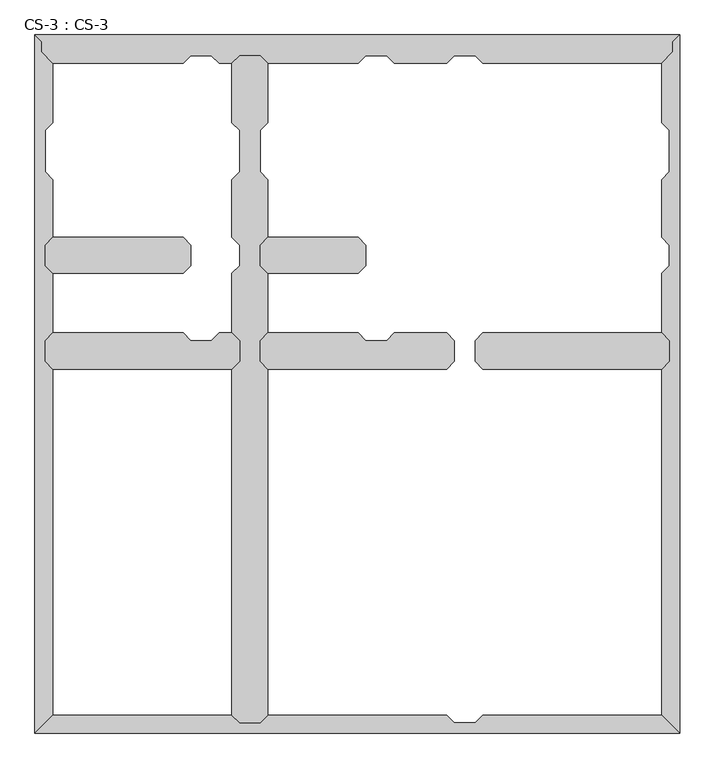
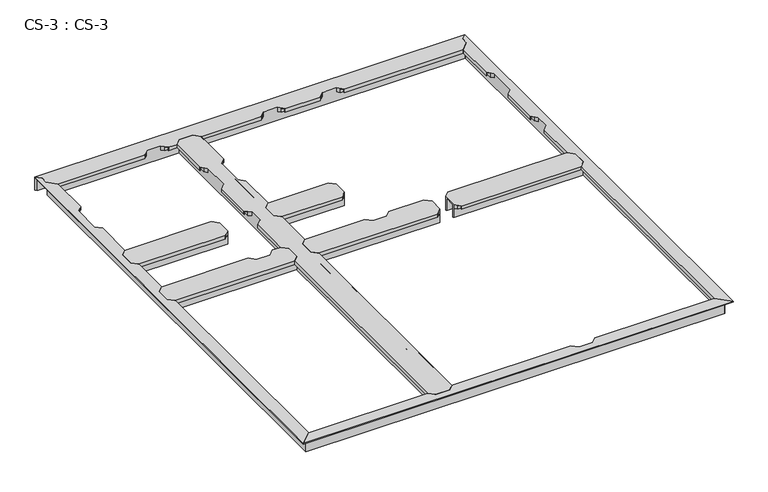
"""IFC4 building model written with IfcOpenShell, lengths in millimetres: proxy geometry, CS-3 : CS-3."""

from ifc_helpers import new_model, si_unit, origin, place, context, project, spatial, faceted_brep, source, transform, mapped, element, save


def cs_3_cs_3_e2cf86b7(model_context):
    return source(origin(), model_context, "Body", "Brep", [
        faceted_brep([(1056.0051016, 1490.98, 46.355), (1056.0051016, 1490.98, 0.0), (1056.0051016, 1497.965, 0.0), (1056.0051016, 1497.965, 63.5), (1056.0051016, 1550.035, 63.5), (1056.0051016, 1550.035, 0.0), (1056.0051016, 1557.02, 0.0), (1056.0051016, 1557.02, 46.355), (1056.0051016, 1557.02, 66.675), (1056.0051016, 1490.98, 66.675), (718.8201016, 1557.02, 46.355), (718.8201016, 1557.02, 0.0), (718.8201016, 1550.035, 0.0), (718.8201016, 1550.035, 63.5), (718.8201016, 1497.965, 63.5), (718.8201016, 1497.965, 0.0), (718.8201016, 1490.98, 0.0), (718.8201016, 1490.98, 46.355), (718.8201016, 1490.98, 66.675), (718.8201016, 1557.02, 66.675), (743.4581016, 1581.658, 66.675), (1031.3671016, 1581.658, 66.675), (1031.3671016, 1581.658, 49.8094), (743.4581016, 1581.658, 49.8094), (1032.8911016, 1580.134, 49.8094), (741.9341016, 1580.134, 49.8094), (1032.8911016, 1580.134, 64.643), (741.9341016, 1580.134, 64.643), (1043.1781016, 1569.847, 64.643), (731.6471016, 1569.847, 64.643), (1043.1781016, 1569.847, 46.355), (731.6471016, 1569.847, 46.355), (1043.1781016, 1478.153, 46.355), (731.6471016, 1478.153, 46.355), (1043.1781016, 1478.153, 64.643), (731.6471016, 1478.153, 64.643), (1032.8911016, 1467.866, 64.643), (741.9341016, 1467.866, 64.643), (1032.8911016, 1467.866, 49.8094), (741.9341016, 1467.866, 49.8094), (1031.3671016, 1466.342, 49.8094), (743.4581016, 1466.342, 49.8094), (1031.3671016, 1466.342, 66.675), (743.4581016, 1466.342, 66.675)], [[[0, 1, 2, 3, 4, 5, 6, 7, 8, 9]], [[10, 11, 12, 13, 14, 15, 16, 17, 18, 19]], [[20, 21, 22, 23]], [[23, 22, 24, 25]], [[25, 24, 26, 27]], [[27, 26, 28, 29]], [[29, 28, 30, 31]], [[7, 10, 31, 30]], [[7, 6, 11, 10]], [[6, 5, 12, 11]], [[5, 4, 13, 12]], [[4, 3, 14, 13]], [[3, 2, 15, 14]], [[2, 1, 16, 15]], [[1, 0, 17, 16]], [[17, 0, 32, 33]], [[33, 32, 34, 35]], [[35, 34, 36, 37]], [[37, 36, 38, 39]], [[39, 38, 40, 41]], [[41, 40, 42, 43]], [[9, 8, 21, 20, 19, 18, 43, 42]], [[10, 19, 20, 23, 25, 27, 29, 31]], [[18, 17, 33, 35, 37, 39, 41, 43]], [[0, 9, 42, 40, 38, 36, 34, 32]], [[8, 7, 30, 28, 26, 24, 22, 21]]]),
        faceted_brep([(497.2051016, 1490.98, 46.355), (497.2051016, 1490.98, 0.0), (497.2051016, 1497.965, 0.0), (497.2051016, 1497.965, 63.5), (497.2051016, 1550.035, 63.5), (497.2051016, 1550.035, 0.0), (497.2051016, 1557.02, 0.0), (497.2051016, 1557.02, 46.355), (497.2051016, 1557.02, 66.675), (497.2051016, 1490.98, 66.675), (33.02, 1557.02, 46.355), (33.02, 1557.02, 0.0), (33.02, 1550.035, 0.0), (33.02, 1550.035, 63.5), (33.02, 1497.965, 63.5), (33.02, 1497.965, 0.0), (33.02, 1490.98, 0.0), (33.02, 1490.98, 46.355), (33.02, 1490.98, 66.675), (33.02, 1557.02, 66.675), (57.658, 1581.658, 66.675), (472.5671016, 1581.658, 66.675), (472.5671016, 1581.658, 49.8094), (57.658, 1581.658, 49.8094), (474.0911016, 1580.134, 49.8094), (56.134, 1580.134, 49.8094), (474.0911016, 1580.134, 64.643), (56.134, 1580.134, 64.643), (484.3781016, 1569.847, 64.643), (45.847, 1569.847, 64.643), (484.3781016, 1569.847, 46.355), (45.847, 1569.847, 46.355), (484.3781016, 1478.153, 46.355), (45.847, 1478.153, 46.355), (484.3781016, 1478.153, 64.643), (45.847, 1478.153, 64.643), (474.0911016, 1467.866, 64.643), (56.134, 1467.866, 64.643), (474.0911016, 1467.866, 49.8094), (56.134, 1467.866, 49.8094), (472.5671016, 1466.342, 49.8094), (57.658, 1466.342, 49.8094), (472.5671016, 1466.342, 66.675), (57.658, 1466.342, 66.675)], [[[0, 1, 2, 3, 4, 5, 6, 7, 8, 9]], [[10, 11, 12, 13, 14, 15, 16, 17, 18, 19]], [[20, 21, 22, 23]], [[23, 22, 24, 25]], [[25, 24, 26, 27]], [[27, 26, 28, 29]], [[29, 28, 30, 31]], [[7, 10, 31, 30]], [[7, 6, 11, 10]], [[6, 5, 12, 11]], [[5, 4, 13, 12]], [[4, 3, 14, 13]], [[3, 2, 15, 14]], [[2, 1, 16, 15]], [[1, 0, 17, 16]], [[17, 0, 32, 33]], [[33, 32, 34, 35]], [[35, 34, 36, 37]], [[37, 36, 38, 39]], [[39, 38, 40, 41]], [[41, 40, 42, 43]], [[9, 8, 21, 20, 19, 18, 43, 42]], [[10, 19, 20, 23, 25, 27, 29, 31]], [[18, 17, 33, 35, 37, 39, 41, 43]], [[0, 9, 42, 40, 38, 36, 34, 32]], [[8, 7, 30, 28, 26, 24, 22, 21]]]),
        faceted_brep([(2024.3803048, 1186.1800292, 46.355), (2024.3803048, 1186.1800292, 0.0), (2024.3803048, 1193.1650292, 0.0), (2024.3803048, 1193.1650292, 63.5), (2024.3803048, 1245.2350292, 63.5), (2024.3803048, 1245.2350292, 0.0), (2024.3803048, 1252.2200292, 0.0), (2024.3803048, 1252.2200292, 46.355), (2024.3803048, 1252.2200292, 66.675), (2024.3803048, 1186.1800292, 66.675), (1404.6202032, 1252.2200292, 46.355), (1404.6202032, 1252.2200292, 0.0), (1404.6202032, 1245.2350292, 0.0), (1404.6202032, 1245.2350292, 63.5), (1404.6202032, 1193.1650292, 63.5), (1404.6202032, 1193.1650292, 0.0), (1404.6202032, 1186.1800292, 0.0), (1404.6202032, 1186.1800292, 46.355), (1404.6202032, 1186.1800292, 66.675), (1404.6202032, 1252.2200292, 66.675), (1429.2582032, 1276.8580292, 66.675), (1999.7423048, 1276.8580292, 66.675), (1999.7423048, 1276.8580292, 49.8094), (1429.2582032, 1276.8580292, 49.8094), (2001.2663048, 1275.3340292, 49.8094), (1427.7342032, 1275.3340292, 49.8094), (2001.2663048, 1275.3340292, 64.643), (1427.7342032, 1275.3340292, 64.643), (2011.5533048, 1265.0470292, 64.643), (1417.4472032, 1265.0470292, 64.643), (2011.5533048, 1265.0470292, 46.355), (1417.4472032, 1265.0470292, 46.355), (2011.5533048, 1173.3530292, 46.355), (1417.4472032, 1173.3530292, 46.355), (2011.5533048, 1173.3530292, 64.643), (1417.4472032, 1173.3530292, 64.643), (2001.2663048, 1163.0660292, 64.643), (1427.7342032, 1163.0660292, 64.643), (2001.2663048, 1163.0660292, 49.8094), (1427.7342032, 1163.0660292, 49.8094), (1999.7423048, 1161.5420292, 49.8094), (1429.2582032, 1161.5420292, 49.8094), (1999.7423048, 1161.5420292, 66.675), (1429.2582032, 1161.5420292, 66.675)], [[[0, 1, 2, 3, 4, 5, 6, 7, 8, 9]], [[10, 11, 12, 13, 14, 15, 16, 17, 18, 19]], [[20, 21, 22, 23]], [[23, 22, 24, 25]], [[25, 24, 26, 27]], [[27, 26, 28, 29]], [[29, 28, 30, 31]], [[7, 10, 31, 30]], [[7, 6, 11, 10]], [[6, 5, 12, 11]], [[5, 4, 13, 12]], [[4, 3, 14, 13]], [[3, 2, 15, 14]], [[2, 1, 16, 15]], [[1, 0, 17, 16]], [[17, 0, 32, 33]], [[33, 32, 34, 35]], [[35, 34, 36, 37]], [[37, 36, 38, 39]], [[39, 38, 40, 41]], [[41, 40, 42, 43]], [[9, 8, 21, 20, 19, 18, 43, 42]], [[10, 19, 20, 23, 25, 27, 29, 31]], [[18, 17, 33, 35, 37, 39, 41, 43]], [[0, 9, 42, 40, 38, 36, 34, 32]], [[8, 7, 30, 28, 26, 24, 22, 21]]]),
        faceted_brep([(1338.5802032, 1186.1800292, 46.355), (1338.5802032, 1186.1800292, 0.0), (1338.5802032, 1193.1650292, 0.0), (1338.5802032, 1193.1650292, 63.5), (1338.5802032, 1245.2350292, 63.5), (1338.5802032, 1245.2350292, 0.0), (1338.5802032, 1252.2200292, 0.0), (1338.5802032, 1252.2200292, 46.355), (1338.5802032, 1252.2200292, 66.675), (1338.5802032, 1186.1800292, 66.675), (718.8201016, 1252.2200292, 46.355), (718.8201016, 1252.2200292, 0.0), (718.8201016, 1245.2350292, 0.0), (718.8201016, 1245.2350292, 63.5), (718.8201016, 1193.1650292, 63.5), (718.8201016, 1193.1650292, 0.0), (718.8201016, 1186.1800292, 0.0), (718.8201016, 1186.1800292, 46.355), (718.8201016, 1186.1800292, 66.675), (718.8201016, 1252.2200292, 66.675), (743.4581016, 1276.8580292, 49.8094), (743.4581016, 1276.8580292, 66.675), (1031.3671016, 1276.8580292, 66.675), (1031.3671016, 1276.8580292, 49.8094), (1313.9422032, 1276.8580292, 66.675), (1313.9422032, 1276.8580292, 49.8094), (1146.6831016, 1276.8580292, 49.8094), (1146.6831016, 1276.8580292, 66.675), (741.9341016, 1275.3340292, 49.8094), (1032.8911016, 1275.3340292, 49.8094), (1315.4662032, 1275.3340292, 49.8094), (1145.1591016, 1275.3340292, 49.8094), (741.9341016, 1275.3340292, 64.643), (1032.8911016, 1275.3340292, 64.643), (1315.4662032, 1275.3340292, 64.643), (1145.1591016, 1275.3340292, 64.643), (731.6471016, 1265.0470292, 64.643), (1043.1781016, 1265.0470292, 64.643), (1325.7532032, 1265.0470292, 64.643), (1134.8721016, 1265.0470292, 64.643), (731.6471016, 1265.0470292, 46.355), (1043.1781016, 1265.0470292, 46.355), (1325.7532032, 1265.0470292, 46.355), (1134.8721016, 1265.0470292, 46.355), (1056.0051016, 1252.2200292, 46.355), (1122.0451016, 1252.2200292, 46.355), (1056.0051016, 1252.2200292, 66.675), (1122.0451016, 1252.2200292, 66.675), (1325.7532032, 1173.3530292, 46.355), (731.6471016, 1173.3530292, 46.355), (1325.7532032, 1173.3530292, 64.643), (731.6471016, 1173.3530292, 64.643), (1315.4662032, 1163.0660292, 64.643), (741.9341016, 1163.0660292, 64.643), (1315.4662032, 1163.0660292, 49.8094), (741.9341016, 1163.0660292, 49.8094), (1313.9422032, 1161.5420292, 49.8094), (743.4581016, 1161.5420292, 49.8094), (1313.9422032, 1161.5420292, 66.675), (743.4581016, 1161.5420292, 66.675)], [[[0, 1, 2, 3, 4, 5, 6, 7, 8, 9]], [[10, 11, 12, 13, 14, 15, 16, 17, 18, 19]], [[20, 21, 22, 23]], [[24, 25, 26, 27]], [[28, 20, 23, 29]], [[25, 30, 31, 26]], [[32, 28, 29, 33]], [[30, 34, 35, 31]], [[36, 32, 33, 37]], [[34, 38, 39, 35]], [[40, 36, 37, 41]], [[38, 42, 43, 39]], [[10, 40, 41, 44]], [[42, 7, 45, 43]], [[7, 6, 11, 10, 44, 46, 47, 45]], [[11, 6, 5, 12]], [[5, 4, 13, 12]], [[4, 3, 14, 13]], [[3, 2, 15, 14]], [[2, 1, 16, 15]], [[1, 0, 17, 16]], [[17, 0, 48, 49]], [[49, 48, 50, 51]], [[51, 50, 52, 53]], [[53, 52, 54, 55]], [[55, 54, 56, 57]], [[57, 56, 58, 59]], [[9, 8, 24, 27, 47, 46, 22, 21, 19, 18, 59, 58]], [[10, 19, 21, 20, 28, 32, 36, 40]], [[18, 17, 49, 51, 53, 55, 57, 59]], [[0, 9, 58, 56, 54, 52, 50, 48]], [[8, 7, 42, 38, 34, 30, 25, 24]], [[46, 44, 41, 37, 33, 29, 23, 22]], [[45, 47, 27, 26, 31, 35, 39, 43]]]),
        faceted_brep([(652.7801016, 1186.1800292, 46.355), (652.7801016, 1186.1800292, 0.0), (652.7801016, 1193.1650292, 0.0), (652.7801016, 1193.1650292, 63.5), (652.7801016, 1245.2350292, 63.5), (652.7801016, 1245.2350292, 0.0), (652.7801016, 1252.2200292, 0.0), (652.7801016, 1252.2200292, 46.355), (652.7801016, 1252.2200292, 66.675), (652.7801016, 1186.1800292, 66.675), (33.02, 1252.2200292, 46.355), (33.02, 1252.2200292, 0.0), (33.02, 1245.2350292, 0.0), (33.02, 1245.2350292, 63.5), (33.02, 1193.1650292, 63.5), (33.02, 1193.1650292, 0.0), (33.02, 1186.1800292, 0.0), (33.02, 1186.1800292, 46.355), (33.02, 1186.1800292, 66.675), (33.02, 1252.2200292, 66.675), (57.658, 1276.8580292, 49.8094), (57.658, 1276.8580292, 66.675), (472.567, 1276.8580292, 66.675), (472.567, 1276.8580292, 49.8094), (628.1421016, 1276.8580292, 66.675), (628.1421016, 1276.8580292, 49.8094), (587.883, 1276.8580292, 49.8094), (587.883, 1276.8580292, 66.675), (56.134, 1275.3340292, 49.8094), (474.091, 1275.3340292, 49.8094), (629.6661016, 1275.3340292, 49.8094), (586.359, 1275.3340292, 49.8094), (56.134, 1275.3340292, 64.643), (474.091, 1275.3340292, 64.643), (629.6661016, 1275.3340292, 64.643), (586.359, 1275.3340292, 64.643), (45.847, 1265.0470292, 64.643), (484.378, 1265.0470292, 64.643), (639.9531016, 1265.0470292, 64.643), (576.072, 1265.0470292, 64.643), (45.847, 1265.0470292, 46.355), (484.378, 1265.0470292, 46.355), (639.9531016, 1265.0470292, 46.355), (576.072, 1265.0470292, 46.355), (497.205, 1252.2200292, 46.355), (563.245, 1252.2200292, 46.355), (497.205, 1252.2200292, 66.675), (563.245, 1252.2200292, 66.675), (639.9531016, 1173.3530292, 46.355), (45.847, 1173.3530292, 46.355), (639.9531016, 1173.3530292, 64.643), (45.847, 1173.3530292, 64.643), (629.6661016, 1163.0660292, 64.643), (56.134, 1163.0660292, 64.643), (629.6661016, 1163.0660292, 49.8094), (56.134, 1163.0660292, 49.8094), (628.1421016, 1161.5420292, 49.8094), (57.658, 1161.5420292, 49.8094), (628.1421016, 1161.5420292, 66.675), (57.658, 1161.5420292, 66.675)], [[[0, 1, 2, 3, 4, 5, 6, 7, 8, 9]], [[10, 11, 12, 13, 14, 15, 16, 17, 18, 19]], [[20, 21, 22, 23]], [[24, 25, 26, 27]], [[28, 20, 23, 29]], [[25, 30, 31, 26]], [[32, 28, 29, 33]], [[30, 34, 35, 31]], [[36, 32, 33, 37]], [[34, 38, 39, 35]], [[40, 36, 37, 41]], [[38, 42, 43, 39]], [[10, 40, 41, 44]], [[42, 7, 45, 43]], [[7, 6, 11, 10, 44, 46, 47, 45]], [[11, 6, 5, 12]], [[5, 4, 13, 12]], [[4, 3, 14, 13]], [[3, 2, 15, 14]], [[2, 1, 16, 15]], [[1, 0, 17, 16]], [[17, 0, 48, 49]], [[49, 48, 50, 51]], [[51, 50, 52, 53]], [[53, 52, 54, 55]], [[55, 54, 56, 57]], [[57, 56, 58, 59]], [[9, 8, 24, 27, 47, 46, 22, 21, 19, 18, 59, 58]], [[10, 19, 21, 20, 28, 32, 36, 40]], [[18, 17, 49, 51, 53, 55, 57, 59]], [[0, 9, 58, 56, 54, 52, 50, 48]], [[8, 7, 42, 38, 34, 30, 25, 24]], [[46, 44, 41, 37, 33, 29, 23, 22]], [[45, 47, 27, 26, 31, 35, 39, 43]]]),
        faceted_brep([(718.8201016, 2161.54, 46.355), (718.8201016, 2161.54, 0.0), (711.8351016, 2161.54, 0.0), (711.8351016, 2161.54, 63.5), (659.7651016, 2161.54, 63.5), (659.7651016, 2161.54, 0.0), (652.7801016, 2161.54, 0.0), (652.7801016, 2161.54, 46.355), (652.7801016, 2161.54, 66.675), (718.8201016, 2161.54, 66.675), (652.7801016, 33.02, 46.355), (652.7801016, 33.02, 0.0), (659.7651016, 33.02, 0.0), (659.7651016, 33.02, 63.5), (711.8351016, 33.02, 63.5), (711.8351016, 33.02, 0.0), (718.8201016, 33.02, 0.0), (718.8201016, 33.02, 46.355), (718.8201016, 33.02, 66.675), (652.7801016, 33.02, 66.675), (628.1421016, 57.658, 49.8094), (628.1421016, 57.658, 66.675), (628.1421016, 1161.542, 66.675), (628.1421016, 1161.542, 49.8094), (628.1421016, 2136.902, 66.675), (628.1421016, 2136.902, 49.8094), (628.1421016, 1947.418, 49.8094), (628.1421016, 1947.418, 66.675), (628.1421016, 1276.858, 49.8094), (628.1421016, 1276.858, 66.675), (628.1421016, 1466.342, 66.675), (628.1421016, 1466.342, 49.8094), (628.1421016, 1581.658, 49.8094), (628.1421016, 1581.658, 66.675), (628.1421016, 1766.062, 66.675), (628.1421016, 1766.062, 49.8094), (629.6661016, 56.134, 49.8094), (629.6661016, 1163.066, 49.8094), (629.6661016, 2138.426, 49.8094), (629.6661016, 1945.894, 49.8094), (629.6661016, 1275.334, 49.8094), (629.6661016, 1467.866, 49.8094), (629.6661016, 1580.134, 49.8094), (629.6661016, 1767.586, 49.8094), (629.6661016, 56.134, 64.643), (629.6661016, 1163.066, 64.643), (629.6661016, 2138.426, 64.643), (629.6661016, 1945.894, 64.643), (629.6661016, 1275.334, 64.643), (629.6661016, 1467.866, 64.643), (629.6661016, 1580.134, 64.643), (629.6661016, 1767.586, 64.643), (639.9531016, 45.847, 64.643), (639.9531016, 1173.353, 64.643), (639.9531016, 2148.713, 64.643), (639.9531016, 1935.607, 64.643), (639.9531016, 1265.047, 64.643), (639.9531016, 1478.153, 64.643), (639.9531016, 1569.847, 64.643), (639.9531016, 1777.873, 64.643), (639.9531016, 45.847, 46.355), (639.9531016, 1173.353, 46.355), (639.9531016, 2148.713, 46.355), (639.9531016, 1935.607, 46.355), (639.9531016, 1265.047, 46.355), (639.9531016, 1478.153, 46.355), (639.9531016, 1569.847, 46.355), (639.9531016, 1777.873, 46.355), (652.7801016, 1186.18, 46.355), (652.7801016, 1922.78, 46.355), (652.7801016, 1252.22, 46.355), (652.7801016, 1490.98, 46.355), (652.7801016, 1557.02, 46.355), (652.7801016, 1790.7, 46.355), (652.7801016, 1186.18, 66.675), (652.7801016, 1252.22, 66.675), (652.7801016, 1490.98, 66.675), (652.7801016, 1557.02, 66.675), (652.7801016, 1790.7, 66.675), (652.7801016, 1922.78, 66.675), (718.8201016, 1922.78, 46.355), (718.8201016, 1922.78, 66.675), (718.8201016, 1790.7, 66.675), (718.8201016, 1790.7, 46.355), (718.8201016, 1557.02, 46.355), (718.8201016, 1557.02, 66.675), (718.8201016, 1490.98, 66.675), (718.8201016, 1490.98, 46.355), (718.8201016, 1252.2200292, 46.355), (718.8201016, 1252.2200292, 66.675), (718.8201016, 1186.18, 66.675), (718.8201016, 1186.18, 46.355), (731.6471016, 45.847, 46.355), (731.6471016, 1173.3530152, 46.355), (731.6471016, 2148.713, 46.355), (731.6471016, 1935.607, 46.355), (731.6471016, 1265.0470292, 46.355), (731.6471016, 1478.153, 46.355), (731.6471016, 1569.847, 46.355), (731.6471016, 1777.873, 46.355), (731.6471016, 45.847, 64.643), (731.6471016, 1173.3530152, 64.643), (731.6471016, 2148.713, 64.643), (731.6471016, 1935.607, 64.643), (731.6471016, 1265.0470292, 64.643), (731.6471016, 1478.153, 64.643), (731.6471016, 1569.847, 64.643), (731.6471016, 1777.873, 64.643), (741.9341016, 56.134, 64.643), (741.9341016, 1163.0660274, 64.643), (741.9341016, 2138.426, 64.643), (741.9341016, 1945.894, 64.643), (741.9341016, 1275.3340292, 64.643), (741.9341016, 1467.866, 64.643), (741.9341016, 1580.134, 64.643), (741.9341016, 1767.586, 64.643), (741.9341016, 56.134, 49.8094), (741.9341016, 1163.0660274, 49.8094), (741.9341016, 2138.426, 49.8094), (741.9341016, 1945.894, 49.8094), (741.9341016, 1275.3340292, 49.8094), (741.9341016, 1467.866, 49.8094), (741.9341016, 1580.134, 49.8094), (741.9341016, 1767.586, 49.8094), (743.4581016, 57.658, 49.8094), (743.4581016, 1161.5420292, 49.8094), (743.4581016, 2136.902, 49.8094), (743.4581016, 1947.418, 49.8094), (743.4581016, 1276.8580292, 49.8094), (743.4581016, 1466.342, 49.8094), (743.4581016, 1581.658, 49.8094), (743.4581016, 1766.062, 49.8094), (743.4581016, 57.658, 66.675), (743.4581016, 1161.5420292, 66.675), (743.4581016, 2136.902, 66.675), (743.4581016, 1947.418, 66.675), (743.4581016, 1276.8580292, 66.675), (743.4581016, 1466.342, 66.675), (743.4581016, 1581.658, 66.675), (743.4581016, 1766.062, 66.675)], [[[0, 1, 2, 3, 4, 5, 6, 7, 8, 9]], [[10, 11, 12, 13, 14, 15, 16, 17, 18, 19]], [[20, 21, 22, 23]], [[24, 25, 26, 27]], [[28, 29, 30, 31]], [[32, 33, 34, 35]], [[36, 20, 23, 37]], [[25, 38, 39, 26]], [[40, 28, 31, 41]], [[42, 32, 35, 43]], [[44, 36, 37, 45]], [[38, 46, 47, 39]], [[48, 40, 41, 49]], [[50, 42, 43, 51]], [[52, 44, 45, 53]], [[46, 54, 55, 47]], [[56, 48, 49, 57]], [[58, 50, 51, 59]], [[60, 52, 53, 61]], [[54, 62, 63, 55]], [[64, 56, 57, 65]], [[66, 58, 59, 67]], [[10, 60, 61, 68]], [[62, 7, 69, 63]], [[70, 64, 65, 71]], [[72, 66, 67, 73]], [[7, 6, 11, 10, 68, 74, 75, 70, 71, 76, 77, 72, 73, 78, 79, 69]], [[6, 5, 12, 11]], [[5, 4, 13, 12]], [[4, 3, 14, 13]], [[3, 2, 15, 14]], [[2, 1, 16, 15]], [[1, 0, 80, 81, 82, 83, 84, 85, 86, 87, 88, 89, 90, 91, 17, 16]], [[92, 17, 91, 93]], [[0, 94, 95, 80]], [[96, 88, 87, 97]], [[98, 84, 83, 99]], [[100, 92, 93, 101]], [[94, 102, 103, 95]], [[104, 96, 97, 105]], [[106, 98, 99, 107]], [[108, 100, 101, 109]], [[102, 110, 111, 103]], [[112, 104, 105, 113]], [[114, 106, 107, 115]], [[116, 108, 109, 117]], [[110, 118, 119, 111]], [[120, 112, 113, 121]], [[122, 114, 115, 123]], [[124, 116, 117, 125]], [[118, 126, 127, 119]], [[128, 120, 121, 129]], [[130, 122, 123, 131]], [[132, 124, 125, 133]], [[126, 134, 135, 127]], [[136, 128, 129, 137]], [[138, 130, 131, 139]], [[9, 8, 24, 27, 79, 78, 34, 33, 77, 76, 30, 29, 75, 74, 22, 21, 19, 18, 132, 133, 90, 89, 136, 137, 86, 85, 138, 139, 82, 81, 135, 134]], [[10, 19, 21, 20, 36, 44, 52, 60]], [[18, 17, 92, 100, 108, 116, 124, 132]], [[0, 9, 134, 126, 118, 110, 102, 94]], [[8, 7, 62, 54, 46, 38, 25, 24]], [[74, 68, 61, 53, 45, 37, 23, 22]], [[70, 75, 29, 28, 40, 48, 56, 64]], [[76, 71, 65, 57, 49, 41, 31, 30]], [[72, 77, 33, 32, 42, 50, 58, 66]], [[78, 73, 67, 59, 51, 43, 35, 34]], [[69, 79, 27, 26, 39, 47, 55, 63]], [[89, 88, 96, 104, 112, 120, 128, 136]], [[91, 90, 133, 125, 117, 109, 101, 93]], [[85, 84, 98, 106, 114, 122, 130, 138]], [[87, 86, 137, 129, 121, 113, 105, 97]], [[83, 82, 139, 131, 123, 115, 107, 99]], [[81, 80, 95, 103, 111, 119, 127, 135]]]),
        faceted_brep([(0.0, 0.0, 66.675), (2057.4003048, 0.0, 66.675), (1999.7423048, 57.658, 66.675), (1429.2582032, 57.658, 66.675), (1404.6202032, 33.02, 66.675), (1338.5802032, 33.02, 66.675), (1313.9422032, 57.658, 66.675), (743.4581016, 57.658, 66.675), (718.8201016, 33.02, 66.675), (652.7801016, 33.02, 66.675), (628.1421016, 57.658, 66.675), (57.658, 57.658, 66.675), (0.0, 0.0, 63.5), (2057.4003048, 0.0, 63.5), (26.035, 26.035, 63.5), (2031.3653048, 26.035, 63.5), (2031.3653048, 26.035, 0.0), (26.035, 26.035, 0.0), (33.02, 33.02, 0.0), (2024.3803048, 33.02, 0.0), (2024.3803048, 33.02, 46.355), (33.02, 33.02, 46.355), (652.7801016, 33.02, 46.355), (718.8201016, 33.02, 46.355), (1338.5802032, 33.02, 46.355), (1404.6202032, 33.02, 46.355), (2011.5533048, 45.847, 46.355), (1417.4472032, 45.847, 46.355), (45.847, 45.847, 46.355), (639.9531016, 45.847, 46.355), (1325.7532032, 45.847, 46.355), (731.6471016, 45.847, 46.355), (2011.5533048, 45.847, 64.643), (1417.4472032, 45.847, 64.643), (45.847, 45.847, 64.643), (639.9531016, 45.847, 64.643), (1325.7532032, 45.847, 64.643), (731.6471016, 45.847, 64.643), (2001.2663048, 56.134, 64.643), (1427.7342032, 56.134, 64.643), (56.134, 56.134, 64.643), (629.6661016, 56.134, 64.643), (1315.4662032, 56.134, 64.643), (741.9341016, 56.134, 64.643), (2001.2663048, 56.134, 49.8094), (1427.7342032, 56.134, 49.8094), (56.134, 56.134, 49.8094), (629.6661016, 56.134, 49.8094), (1315.4662032, 56.134, 49.8094), (741.9341016, 56.134, 49.8094), (1999.7423048, 57.658, 49.8094), (1429.2582032, 57.658, 49.8094), (57.658, 57.658, 49.8094), (628.1421016, 57.658, 49.8094), (1313.9422032, 57.658, 49.8094), (743.4581016, 57.658, 49.8094)], [[[0, 1, 2, 3, 4, 5, 6, 7, 8, 9, 10, 11]], [[1, 0, 12, 13]], [[13, 12, 14, 15]], [[16, 15, 14, 17]], [[18, 19, 16, 17]], [[20, 19, 18, 21, 22, 9, 8, 23, 24, 5, 4, 25]], [[26, 20, 25, 27]], [[21, 28, 29, 22]], [[30, 24, 23, 31]], [[32, 26, 27, 33]], [[28, 34, 35, 29]], [[36, 30, 31, 37]], [[38, 32, 33, 39]], [[34, 40, 41, 35]], [[42, 36, 37, 43]], [[44, 38, 39, 45]], [[40, 46, 47, 41]], [[48, 42, 43, 49]], [[50, 44, 45, 51]], [[46, 52, 53, 47]], [[54, 48, 49, 55]], [[2, 50, 51, 3]], [[52, 11, 10, 53]], [[6, 54, 55, 7]], [[2, 1, 13, 15, 16, 19, 20, 26, 32, 38, 44, 50]], [[0, 11, 52, 46, 40, 34, 28, 21, 18, 17, 14, 12]], [[5, 24, 30, 36, 42, 48, 54, 6]], [[25, 4, 3, 51, 45, 39, 33, 27]], [[9, 22, 29, 35, 41, 47, 53, 10]], [[23, 8, 7, 55, 49, 43, 37, 31]]]),
        faceted_brep([(2057.4003048, 0.0, 66.675), (2057.4003048, 2227.58, 66.675), (2035.8103048, 2205.99, 66.675), (2035.8103048, 2174.24, 66.675), (1999.7423048, 2136.902, 66.675), (1999.7423048, 1947.418, 66.675), (2024.3803048, 1922.78, 66.675), (2024.3803048, 1790.7, 66.675), (1999.7423048, 1766.062, 66.675), (1999.7423048, 1581.658, 66.675), (2024.3803048, 1557.02, 66.675), (2024.3803048, 1490.98, 66.675), (1999.7423048, 1466.342, 66.675), (1999.7423048, 1276.8580292, 66.675), (2024.3803048, 1252.2200292, 66.675), (2024.3803048, 1186.1800292, 66.675), (1999.7423048, 1161.5420292, 66.675), (1999.7423048, 57.658, 66.675), (2057.4003048, 0.0, 63.5), (2057.4003048, 2227.58, 63.5), (2031.3653048, 26.035, 63.5), (2031.3653048, 2169.6384859, 63.5), (2035.8103048, 2174.24, 63.5), (2035.8103048, 2205.99, 63.5), (2031.3653048, 2169.6384859, 0.0), (2031.3653048, 26.035, 0.0), (2024.3803048, 33.02, 0.0), (2024.3803048, 2162.4075352, 0.0), (2024.3803048, 2162.4075352, 46.355), (2024.3803048, 33.02, 46.355), (2024.3803048, 1186.1800292, 46.355), (2024.3803048, 1252.2200292, 46.355), (2024.3803048, 1490.98, 46.355), (2024.3803048, 1557.02, 46.355), (2024.3803048, 1790.7, 46.355), (2024.3803048, 1922.78, 46.355), (2011.5533048, 2149.1288803, 46.355), (2011.5533048, 1935.607, 46.355), (2011.5533048, 45.847, 46.355), (2011.5533048, 1173.3530292, 46.355), (2011.5533048, 1777.873, 46.355), (2011.5533048, 1569.847, 46.355), (2011.5533048, 1478.153, 46.355), (2011.5533048, 1265.0470292, 46.355), (2011.5533048, 2149.1288803, 64.643), (2011.5533048, 1935.607, 64.643), (2011.5533048, 45.847, 64.643), (2011.5533048, 1173.3530292, 64.643), (2011.5533048, 1777.873, 64.643), (2011.5533048, 1569.847, 64.643), (2011.5533048, 1478.153, 64.643), (2011.5533048, 1265.0470292, 64.643), (2001.2663048, 2138.479662, 64.643), (2001.2663048, 1945.894, 64.643), (2001.2663048, 56.134, 64.643), (2001.2663048, 1163.0660292, 64.643), (2001.2663048, 1767.586, 64.643), (2001.2663048, 1580.134, 64.643), (2001.2663048, 1467.866, 64.643), (2001.2663048, 1275.3340292, 64.643), (2001.2663048, 2138.479662, 49.8094), (2001.2663048, 1945.894, 49.8094), (2001.2663048, 56.134, 49.8094), (2001.2663048, 1163.0660292, 49.8094), (2001.2663048, 1767.586, 49.8094), (2001.2663048, 1580.134, 49.8094), (2001.2663048, 1467.866, 49.8094), (2001.2663048, 1275.3340292, 49.8094), (1999.7423048, 2136.902, 49.8094), (1999.7423048, 1947.418, 49.8094), (1999.7423048, 57.658, 49.8094), (1999.7423048, 1161.5420292, 49.8094), (1999.7423048, 1766.062, 49.8094), (1999.7423048, 1581.658, 49.8094), (1999.7423048, 1466.342, 49.8094), (1999.7423048, 1276.8580292, 49.8094)], [[[0, 1, 2, 3, 4, 5, 6, 7, 8, 9, 10, 11, 12, 13, 14, 15, 16, 17]], [[1, 0, 18, 19]], [[19, 18, 20, 21, 22, 23]], [[24, 21, 20, 25]], [[26, 27, 24, 25]], [[28, 27, 26, 29, 30, 15, 14, 31, 32, 11, 10, 33, 34, 7, 6, 35]], [[36, 28, 35, 37]], [[29, 38, 39, 30]], [[40, 34, 33, 41]], [[42, 32, 31, 43]], [[44, 36, 37, 45]], [[38, 46, 47, 39]], [[48, 40, 41, 49]], [[50, 42, 43, 51]], [[52, 44, 45, 53]], [[46, 54, 55, 47]], [[56, 48, 49, 57]], [[58, 50, 51, 59]], [[60, 52, 53, 61]], [[54, 62, 63, 55]], [[64, 56, 57, 65]], [[66, 58, 59, 67]], [[68, 60, 61, 69]], [[62, 70, 71, 63]], [[72, 64, 65, 73]], [[74, 66, 67, 75]], [[4, 68, 69, 5]], [[70, 17, 16, 71]], [[8, 72, 73, 9]], [[12, 74, 75, 13]], [[23, 2, 1, 19]], [[3, 22, 21, 24, 27, 28, 36, 44, 52, 60, 68, 4]], [[2, 23, 22, 3]], [[0, 17, 70, 62, 54, 46, 38, 29, 26, 25, 20, 18]], [[35, 6, 5, 69, 61, 53, 45, 37]], [[7, 34, 40, 48, 56, 64, 72, 8]], [[11, 32, 42, 50, 58, 66, 74, 12]], [[33, 10, 9, 73, 65, 57, 49, 41]], [[15, 30, 39, 47, 55, 63, 71, 16]], [[31, 14, 13, 75, 67, 59, 51, 43]]]),
        faceted_brep([(0.0, 2227.58, 0.0), (2057.4003048, 2227.58, 0.0), (2050.4153048, 2220.595, 0.0), (6.985, 2220.595, 0.0), (6.985, 2220.595, 63.5), (2050.4153048, 2220.595, 63.5), (21.59, 2205.99, 63.5), (2035.8103048, 2205.99, 63.5), (2035.8103048, 2174.24, 63.5), (2030.2896926, 2168.525, 63.5), (27.1106122, 2168.525, 63.5), (21.59, 2174.24, 63.5), (27.1106122, 2168.525, 0.0), (2030.2896926, 2168.525, 0.0), (2023.5422776, 2161.54, 0.0), (33.8580272, 2161.54, 0.0), (33.8580272, 2161.54, 46.355), (2023.5422776, 2161.54, 46.355), (1404.6202032, 2161.54, 46.355), (1404.6202032, 2161.54, 66.675), (1338.5802032, 2161.54, 66.675), (1338.5802032, 2161.54, 46.355), (1122.0451016, 2161.54, 46.355), (1122.0451016, 2161.54, 66.675), (1056.0051016, 2161.54, 66.675), (1056.0051016, 2161.54, 46.355), (718.8201016, 2161.54, 46.355), (718.8201016, 2161.54, 66.675), (652.7801016, 2161.54, 66.675), (652.7801016, 2161.54, 46.355), (563.2451016, 2161.54, 46.355), (563.2451016, 2161.54, 66.675), (497.2051016, 2161.54, 66.675), (497.2051016, 2161.54, 46.355), (46.2487347, 2148.713, 46.355), (484.3781016, 2148.713, 46.355), (2011.1515701, 2148.713, 46.355), (1417.4472032, 2148.713, 46.355), (576.0721016, 2148.713, 46.355), (639.9531016, 2148.713, 46.355), (731.6471016, 2148.713, 46.355), (1043.1781016, 2148.713, 46.355), (1134.8721016, 2148.713, 46.355), (1325.7532032, 2148.713, 46.355), (46.2487347, 2148.713, 63.5), (484.3781016, 2148.713, 63.5), (2011.1515701, 2148.713, 63.5), (1417.4472032, 2148.713, 63.5), (576.0721016, 2148.713, 63.5), (639.9531016, 2148.713, 63.5), (731.6471016, 2148.713, 63.5), (1043.1781016, 2148.713, 63.5), (1134.8721016, 2148.713, 63.5), (1325.7532032, 2148.713, 63.5), (56.1858367, 2138.426, 63.5), (474.0911016, 2138.426, 63.5), (2001.2144681, 2138.426, 63.5), (1427.7342032, 2138.426, 63.5), (586.3591016, 2138.426, 63.5), (629.6661016, 2138.426, 63.5), (741.9341016, 2138.426, 63.5), (1032.8911016, 2138.426, 63.5), (1145.1591016, 2138.426, 63.5), (1315.4662032, 2138.426, 63.5), (56.1858367, 2138.426, 49.8094), (474.0911016, 2138.426, 49.8094), (2001.2144681, 2138.426, 49.8094), (1427.7342032, 2138.426, 49.8094), (586.3591016, 2138.426, 49.8094), (629.6661016, 2138.426, 49.8094), (741.9341016, 2138.426, 49.8094), (1032.8911016, 2138.426, 49.8094), (1145.1591016, 2138.426, 49.8094), (1315.4662032, 2138.426, 49.8094), (57.658, 2136.902, 49.8094), (472.5671016, 2136.902, 49.8094), (1999.7423048, 2136.902, 49.8094), (1429.2582032, 2136.902, 49.8094), (587.8831016, 2136.902, 49.8094), (628.1421016, 2136.902, 49.8094), (743.4581016, 2136.902, 49.8094), (1031.3671016, 2136.902, 49.8094), (1146.6831016, 2136.902, 49.8094), (1313.9422032, 2136.902, 49.8094), (57.658, 2136.902, 66.675), (472.5671016, 2136.902, 66.675), (1999.7423048, 2136.902, 66.675), (1429.2582032, 2136.902, 66.675), (587.8831016, 2136.902, 66.675), (628.1421016, 2136.902, 66.675), (743.4581016, 2136.902, 66.675), (1031.3671016, 2136.902, 66.675), (1146.6831016, 2136.902, 66.675), (1313.9422032, 2136.902, 66.675), (2057.4003048, 2227.58, 66.675), (0.0, 2227.58, 66.675), (21.59, 2205.99, 66.675), (21.59, 2174.24, 66.675), (2035.8103048, 2174.24, 66.675), (2035.8103048, 2205.99, 66.675)], [[[0, 1, 2, 3]], [[4, 3, 2, 5]], [[6, 4, 5, 7, 8, 9, 10, 11]], [[12, 10, 9, 13]], [[14, 15, 12, 13]], [[16, 15, 14, 17, 18, 19, 20, 21, 22, 23, 24, 25, 26, 27, 28, 29, 30, 31, 32, 33]], [[34, 16, 33, 35]], [[17, 36, 37, 18]], [[38, 30, 29, 39]], [[40, 26, 25, 41]], [[42, 22, 21, 43]], [[44, 34, 35, 45]], [[36, 46, 47, 37]], [[48, 38, 39, 49]], [[50, 40, 41, 51]], [[52, 42, 43, 53]], [[54, 44, 45, 55]], [[46, 56, 57, 47]], [[58, 48, 49, 59]], [[60, 50, 51, 61]], [[62, 52, 53, 63]], [[64, 54, 55, 65]], [[56, 66, 67, 57]], [[68, 58, 59, 69]], [[70, 60, 61, 71]], [[72, 62, 63, 73]], [[74, 64, 65, 75]], [[66, 76, 77, 67]], [[78, 68, 69, 79]], [[80, 70, 71, 81]], [[82, 72, 73, 83]], [[84, 74, 75, 85]], [[76, 86, 87, 77]], [[88, 78, 79, 89]], [[90, 80, 81, 91]], [[92, 82, 83, 93]], [[94, 95, 96, 97, 84, 85, 32, 31, 88, 89, 28, 27, 90, 91, 24, 23, 92, 93, 20, 19, 87, 86, 98, 99]], [[1, 0, 95, 94]], [[6, 96, 95, 0, 3, 4]], [[97, 11, 10, 12, 15, 16, 34, 44, 54, 64, 74, 84]], [[96, 6, 11, 97]], [[7, 99, 98, 8]], [[8, 98, 86, 76, 66, 56, 46, 36, 17, 14, 13, 9]], [[99, 7, 5, 2, 1, 94]], [[31, 30, 38, 48, 58, 68, 78, 88]], [[33, 32, 85, 75, 65, 55, 45, 35]], [[27, 26, 40, 50, 60, 70, 80, 90]], [[29, 28, 89, 79, 69, 59, 49, 39]], [[23, 22, 42, 52, 62, 72, 82, 92]], [[25, 24, 91, 81, 71, 61, 51, 41]], [[19, 18, 37, 47, 57, 67, 77, 87]], [[21, 20, 93, 83, 73, 63, 53, 43]]]),
        faceted_brep([(0.0, 2227.58, 66.675), (0.0, 0.0, 66.675), (57.658, 57.658, 66.675), (57.658, 1161.5420292, 66.675), (33.02, 1186.1800292, 66.675), (33.02, 1252.2200292, 66.675), (57.658, 1276.8580292, 66.675), (57.658, 1466.342, 66.675), (33.02, 1490.98, 66.675), (33.02, 1557.02, 66.675), (57.658, 1581.658, 66.675), (57.658, 1766.062, 66.675), (33.02, 1790.7, 66.675), (33.02, 1922.78, 66.675), (57.658, 1947.418, 66.675), (57.658, 2136.902, 66.675), (21.59, 2174.24, 66.675), (21.59, 2205.99, 66.675), (0.0, 2227.58, 63.5), (0.0, 0.0, 63.5), (21.59, 2205.99, 63.5), (21.59, 2174.24, 63.5), (26.035, 2169.6384859, 63.5), (26.035, 26.035, 63.5), (26.035, 26.035, 0.0), (26.035, 2169.6384859, 0.0), (33.02, 2162.4075352, 0.0), (33.02, 33.02, 0.0), (33.02, 33.02, 46.355), (33.02, 2162.4075352, 46.355), (33.02, 1922.78, 46.355), (33.02, 1790.7, 46.355), (33.02, 1557.02, 46.355), (33.02, 1490.98, 46.355), (33.02, 1252.2200292, 46.355), (33.02, 1186.1800292, 46.355), (45.847, 45.847, 46.355), (45.847, 1173.3530292, 46.355), (45.847, 2149.1288803, 46.355), (45.847, 1935.607, 46.355), (45.847, 1265.0470292, 46.355), (45.847, 1478.153, 46.355), (45.847, 1569.847, 46.355), (45.847, 1777.873, 46.355), (45.847, 45.847, 64.643), (45.847, 1173.3530292, 64.643), (45.847, 2149.1288803, 64.643), (45.847, 1935.607, 64.643), (45.847, 1265.0470292, 64.643), (45.847, 1478.153, 64.643), (45.847, 1569.847, 64.643), (45.847, 1777.873, 64.643), (56.134, 56.134, 64.643), (56.134, 1163.0660292, 64.643), (56.134, 2138.479662, 64.643), (56.134, 1945.894, 64.643), (56.134, 1275.3340292, 64.643), (56.134, 1467.866, 64.643), (56.134, 1580.134, 64.643), (56.134, 1767.586, 64.643), (56.134, 56.134, 49.8094), (56.134, 1163.0660292, 49.8094), (56.134, 2138.479662, 49.8094), (56.134, 1945.894, 49.8094), (56.134, 1275.3340292, 49.8094), (56.134, 1467.866, 49.8094), (56.134, 1580.134, 49.8094), (56.134, 1767.586, 49.8094), (57.658, 57.658, 49.8094), (57.658, 1161.5420292, 49.8094), (57.658, 2136.902, 49.8094), (57.658, 1947.418, 49.8094), (57.658, 1276.8580292, 49.8094), (57.658, 1466.342, 49.8094), (57.658, 1581.658, 49.8094), (57.658, 1766.062, 49.8094)], [[[0, 1, 2, 3, 4, 5, 6, 7, 8, 9, 10, 11, 12, 13, 14, 15, 16, 17]], [[1, 0, 18, 19]], [[19, 18, 20, 21, 22, 23]], [[24, 23, 22, 25]], [[26, 27, 24, 25]], [[28, 27, 26, 29, 30, 13, 12, 31, 32, 9, 8, 33, 34, 5, 4, 35]], [[36, 28, 35, 37]], [[29, 38, 39, 30]], [[40, 34, 33, 41]], [[42, 32, 31, 43]], [[44, 36, 37, 45]], [[38, 46, 47, 39]], [[48, 40, 41, 49]], [[50, 42, 43, 51]], [[52, 44, 45, 53]], [[46, 54, 55, 47]], [[56, 48, 49, 57]], [[58, 50, 51, 59]], [[60, 52, 53, 61]], [[54, 62, 63, 55]], [[64, 56, 57, 65]], [[66, 58, 59, 67]], [[68, 60, 61, 69]], [[62, 70, 71, 63]], [[72, 64, 65, 73]], [[74, 66, 67, 75]], [[2, 68, 69, 3]], [[70, 15, 14, 71]], [[6, 72, 73, 7]], [[10, 74, 75, 11]], [[2, 1, 19, 23, 24, 27, 28, 36, 44, 52, 60, 68]], [[20, 17, 16, 21]], [[21, 16, 15, 70, 62, 54, 46, 38, 29, 26, 25, 22]], [[17, 20, 18, 0]], [[5, 34, 40, 48, 56, 64, 72, 6]], [[35, 4, 3, 69, 61, 53, 45, 37]], [[9, 32, 42, 50, 58, 66, 74, 10]], [[33, 8, 7, 73, 65, 57, 49, 41]], [[31, 12, 11, 75, 67, 59, 51, 43]], [[13, 30, 39, 47, 55, 63, 71, 14]]]),
    ])


if __name__ == "__main__":
    model = new_model("IFC4")
    model_context = context("Model", 3, world=origin())
    ifc_project = project(units=[si_unit("LENGTHUNIT", "METRE", prefix="MILLI")], contexts=[model_context])
    site = spatial("IfcSite", under=ifc_project)
    building = spatial("IfcBuilding", under=site)
    placement = place(None, origin())
    cs_3_cs_3_shape = cs_3_cs_3_e2cf86b7(model_context)
    element("IfcBuildingElementProxy", 1, Name="CS-3 : CS-3", ObjectType="CS-3 : CS-3", at=placement, inside=building, context=model_context, shape_type="MappedRepresentation", body=[
        mapped(cs_3_cs_3_shape, transform((0.0, 0.0, 0.0), x_axis=(1.0, 0.0, 0.0), y_axis=(0.0, 1.0, 0.0), z_axis=(0.0, 0.0, 1.0))),
    ])
    save(model, "model.ifc")
